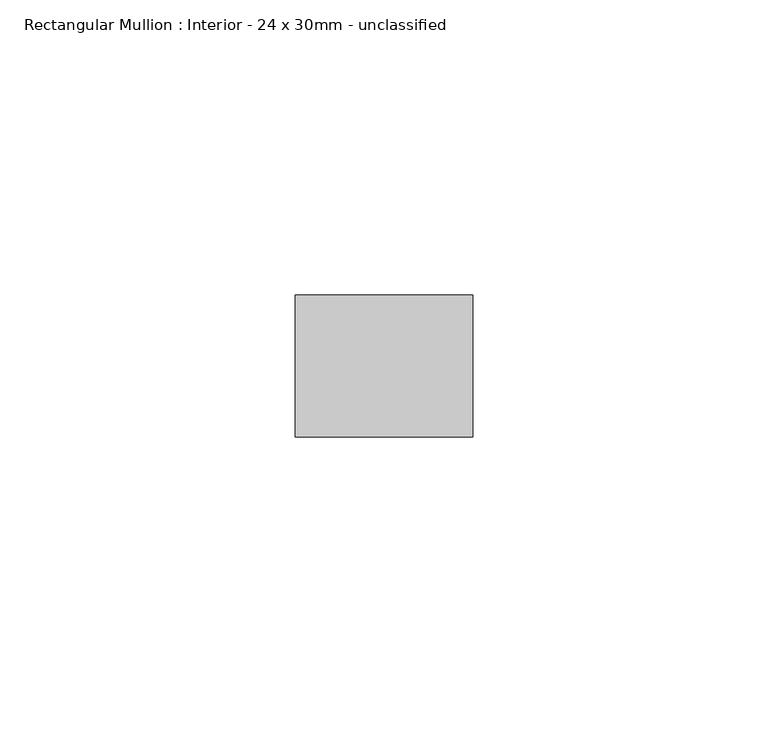
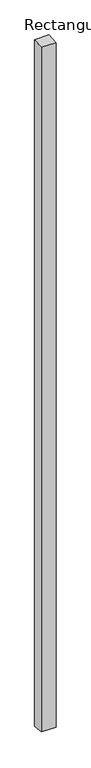
"""IFC4 building model written with IfcOpenShell, lengths in millimetres: member geometry, Rectangular Mullion : Interior - 24 x 30mm - unclassified."""

from ifc_helpers import new_model, si_unit, frame, origin, place, context, project, spatial, polyline, outline, extrude, source, transform, mapped, element, save


def rectangular_mullion_interior_24_x_30mm_unclassified_2c80cd36(model_context):
    return source(origin(), model_context, "Body", "SweptSolid", [
        extrude(outline(polyline([(-12.0, -1.0412308), (12.0, 1.0412308), (12.0, -1501.2931582), (-12.0, -1498.7068418), (-12.0, -1.0412308)])), frame((-30.0, 0.0, 0.0), z_axis=(1.0, 0.0, 0.0), x_axis=(0.0, 1.0, 0.0)), (0.0, 0.0, 1.0), 30.0),
    ])


if __name__ == "__main__":
    model = new_model("IFC4")
    model_context = context("Model", 3, world=origin())
    ifc_project = project(units=[si_unit("LENGTHUNIT", "METRE", prefix="MILLI")], contexts=[model_context])
    site = spatial("IfcSite", under=ifc_project)
    building = spatial("IfcBuilding", under=site)
    placement = place(None, origin())
    rectangular_mullion_interior_24_x_30mm_unclassified_shape = rectangular_mullion_interior_24_x_30mm_unclassified_2c80cd36(model_context)
    element("IfcMember", 1, ObjectType="Rectangular Mullion : Interior - 24 x 30mm - unclassified", at=placement, inside=building, context=model_context, shape_type="MappedRepresentation", body=[
        mapped(rectangular_mullion_interior_24_x_30mm_unclassified_shape, transform((0.0, 0.0, 0.0), x_axis=(1.0, 0.0, 0.0), y_axis=(0.0, 1.0, 0.0), z_axis=(0.0, 0.0, 1.0))),
    ])
    save(model, "model.ifc")
